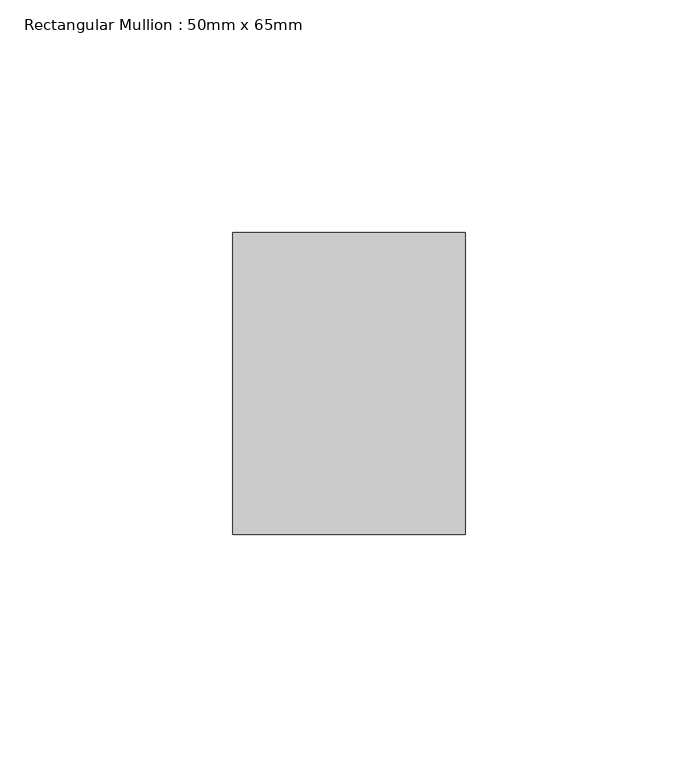
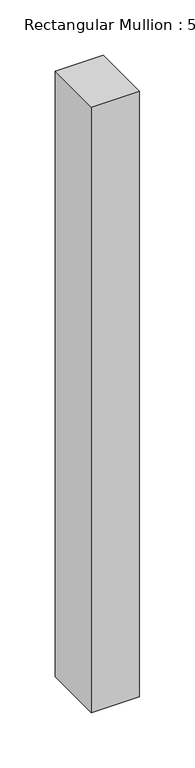
"""IFC4 building model written with IfcOpenShell, lengths in millimetres: member geometry, Rectangular Mullion : 50mm x 65mm."""

from ifc_helpers import new_model, si_unit, frame, origin, place, context, project, spatial, polyline, outline, extrude, source, transform, mapped, element, save


def rectangular_mullion_50mm_x_65mm_81adb454(model_context):
    return source(origin(), model_context, "Body", "SweptSolid", [
        extrude(outline(polyline([(25.0, 32.5), (25.0, -32.5), (-25.0, -32.5), (-25.0, 32.5), (25.0, 32.5)])), frame((0.0, 0.0, -667.5404471), z_axis=(0.0, 0.0, 1.0), x_axis=(1.0, 0.0, 0.0)), (0.0, 0.0, 1.0), 667.5404471),
    ])


if __name__ == "__main__":
    model = new_model("IFC4")
    model_context = context("Model", 3, world=origin())
    ifc_project = project(units=[si_unit("LENGTHUNIT", "METRE", prefix="MILLI")], contexts=[model_context])
    site = spatial("IfcSite", under=ifc_project)
    building = spatial("IfcBuilding", under=site)
    placement = place(None, origin())
    rectangular_mullion_50mm_x_65mm_shape = rectangular_mullion_50mm_x_65mm_81adb454(model_context)
    element("IfcMember", 1, ObjectType="Rectangular Mullion : 50mm x 65mm", at=placement, inside=building, context=model_context, shape_type="MappedRepresentation", body=[
        mapped(rectangular_mullion_50mm_x_65mm_shape, transform((0.0, 0.0, 0.0), x_axis=(1.0, 0.0, 0.0), y_axis=(0.0, 1.0, 0.0), z_axis=(0.0, 0.0, 1.0))),
    ])
    save(model, "model.ifc")
